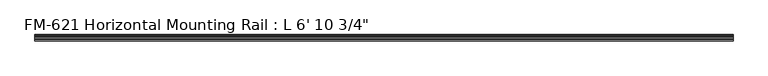
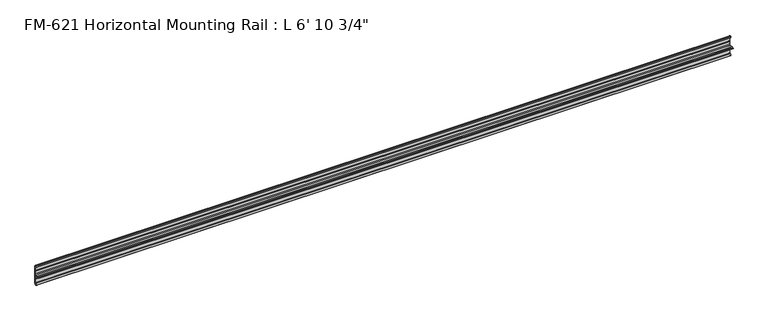
"""IFC4 building model written with IfcOpenShell, lengths in millimetres: proxy geometry."""

from ifc_helpers import new_model, si_unit, point, frame, frame_2d, origin, place, context, project, spatial, polyline, circle_curve, trimmed, segment, composite_curve, outline, extrude, source, transform, mapped, element, save


def proxy_22354c00(model_context):
    return source(origin(), model_context, "Body", "SweptSolid", [
        extrude(outline(composite_curve([segment(polyline([(13.6400687, 32.1158903), (15.4750158, 32.6885982)]), True, "CONTINUOUS"), segment(trimmed(circle_curve(frame_2d((15.6853088, 32.2686835)), 0.4696291), [point((15.4750158, 32.6885982))], [point((16.1549378, 32.2686835))], False, "CARTESIAN"), True, "CONTINUOUS"), segment(polyline([(16.1549378, 32.2686835), (16.1549378, 30.7270734)]), True, "CONTINUOUS"), segment(trimmed(circle_curve(frame_2d((17.7424378, 30.7270734)), 1.5875), [point((16.1549378, 30.7270734))], [point((17.7424378, 29.1395734))], True, "CARTESIAN"), True, "CONTINUOUS"), segment(polyline([(17.7424378, 29.1395734), (19.05, 29.1395734), (19.05, 0.0), (19.05, -27.5520734), (17.7424378, -27.5520734)]), True, "CONTINUOUS"), segment(trimmed(circle_curve(frame_2d((17.7424378, -29.1395734)), 1.5875), [point((17.7424378, -27.5520734))], [point((16.1549378, -29.1395734))], True, "CARTESIAN"), True, "CONTINUOUS"), segment(polyline([(16.1549378, -29.1395734), (16.1549378, -30.6811835)]), True, "CONTINUOUS"), segment(trimmed(circle_curve(frame_2d((15.6853088, -30.6811835)), 0.4696291), [point((16.1549378, -30.6811835))], [point((15.4750158, -31.1010982))], False, "CARTESIAN"), True, "CONTINUOUS"), segment(polyline([(15.4750158, -31.1010982), (13.6400687, -30.5283903)]), True, "CONTINUOUS"), segment(trimmed(circle_curve(frame_2d((14.5481808, -27.6188136)), 3.048), [point((13.6400687, -30.5283903))], [point((11.9462301, -29.2063136))], False, "CARTESIAN"), True, "CONTINUOUS"), segment(trimmed(circle_curve(frame_2d((14.5481808, -27.6188136)), 3.048), [point((11.9462301, -29.2063136))], [point((13.6400687, -24.7092369))], False, "CARTESIAN"), True, "CONTINUOUS"), segment(polyline([(13.6400687, -24.7092369), (15.4364113, -24.1485779)]), True, "CONTINUOUS"), segment(trimmed(circle_curve(frame_2d((15.6245238, -24.6872792)), 0.5706009), [point((15.4364113, -24.1485779))], [point((16.1779173, -24.8263515))], False, "CARTESIAN"), True, "CONTINUOUS"), segment(trimmed(circle_curve(frame_2d((16.9169378, -25.0120734)), 0.762), [point((16.1779173, -24.8263515))], [point((16.9376166, -25.7737928))], True, "CARTESIAN"), True, "CONTINUOUS"), segment(trimmed(circle_curve(frame_2d((16.9545, -25.2660734)), 0.508), [point((16.9376166, -25.7737928))], [point((17.4625, -25.2660734))], True, "CARTESIAN"), True, "CONTINUOUS"), segment(polyline([(17.4625, -25.2660734), (17.4625, -14.0784614), (17.9716639, -13.1610418), (17.9716639, -11.820881), (17.4625, -10.9034614), (17.4625, -1.9277595)]), True, "CONTINUOUS"), segment(trimmed(circle_curve(frame_2d((15.5575, -1.9277595)), 1.905), [point((17.4625, -1.9277595))], [point((15.5575, -0.0227595))], True, "CARTESIAN"), True, "CONTINUOUS"), segment(polyline([(15.5575, -0.0227595), (6.3855322, -0.0227595)]), True, "CONTINUOUS"), segment(trimmed(circle_curve(frame_2d((4.7981953, 0.0)), 1.5875), [point((6.3855322, -0.0227595))], [point((3.2106953, 0.0))], False, "CARTESIAN"), True, "CONTINUOUS"), segment(polyline([(3.2106953, 0.0), (0.0, 0.0), (0.0, 1.5875), (3.2106953, 1.5875)]), True, "CONTINUOUS"), segment(trimmed(circle_curve(frame_2d((4.7981953, 1.5875)), 1.5875), [point((3.2106953, 1.5875))], [point((6.3855322, 1.6102595))], False, "CARTESIAN"), True, "CONTINUOUS"), segment(polyline([(6.3855322, 1.6102595), (15.5575, 1.6102595)]), True, "CONTINUOUS"), segment(trimmed(circle_curve(frame_2d((15.5575, 3.5152595)), 1.905), [point((15.5575, 1.6102595))], [point((17.4625, 3.5152595))], True, "CARTESIAN"), True, "CONTINUOUS"), segment(polyline([(17.4625, 3.5152595), (17.4625, 12.4909614), (17.9716639, 13.408381), (17.9716639, 14.7485418), (17.4625, 15.6659614), (17.4625, 26.8535734)]), True, "CONTINUOUS"), segment(trimmed(circle_curve(frame_2d((16.9545, 26.8535734)), 0.508), [point((17.4625, 26.8535734))], [point((16.9376166, 27.3612928))], True, "CARTESIAN"), True, "CONTINUOUS"), segment(trimmed(circle_curve(frame_2d((16.9169378, 26.5995734)), 0.762), [point((16.9376166, 27.3612928))], [point((16.1779173, 26.4138515))], True, "CARTESIAN"), True, "CONTINUOUS"), segment(trimmed(circle_curve(frame_2d((15.6245238, 26.2747792)), 0.5706009), [point((16.1779173, 26.4138515))], [point((15.4364113, 25.7360779))], False, "CARTESIAN"), True, "CONTINUOUS"), segment(polyline([(15.4364113, 25.7360779), (13.6400687, 26.2967369)]), True, "CONTINUOUS"), segment(trimmed(circle_curve(frame_2d((14.5481808, 29.2063136)), 3.048), [point((13.6400687, 26.2967369))], [point((11.9462301, 30.7938136))], False, "CARTESIAN"), True, "CONTINUOUS"), segment(trimmed(circle_curve(frame_2d((14.5481808, 29.2063136)), 3.048), [point((11.9462301, 30.7938136))], [point((13.6400687, 32.1158903))], False, "CARTESIAN"), True, "CONTINUOUS")], self_intersect=False)), frame((0.0, 0.0, 0.0), z_axis=(1.0, 0.0, 0.0), x_axis=(0.0, 1.0, 0.0)), (0.0, 0.0, 1.0), 2101.85),
    ])


if __name__ == "__main__":
    model = new_model("IFC4")
    model_context = context("Model", 3, world=origin())
    ifc_project = project(units=[si_unit("LENGTHUNIT", "METRE", prefix="MILLI")], contexts=[model_context])
    site = spatial("IfcSite", under=ifc_project)
    building = spatial("IfcBuilding", under=site)
    placement = place(None, origin())
    proxy_shape = proxy_22354c00(model_context)
    element("IfcBuildingElementProxy", 1, Name="FM-621 Horizontal Mounting Rail : L 6' 10 3/4\"", ObjectType="FM-621 Horizontal Mounting Rail : L 6' 10 3/4\"", at=placement, inside=building, context=model_context, shape_type="MappedRepresentation", body=[
        mapped(proxy_shape, transform((0.0, 0.0, 0.0), x_axis=(1.0, 0.0, 0.0), y_axis=(0.0, 1.0, 0.0), z_axis=(0.0, 0.0, 1.0))),
    ])
    save(model, "model.ifc")
